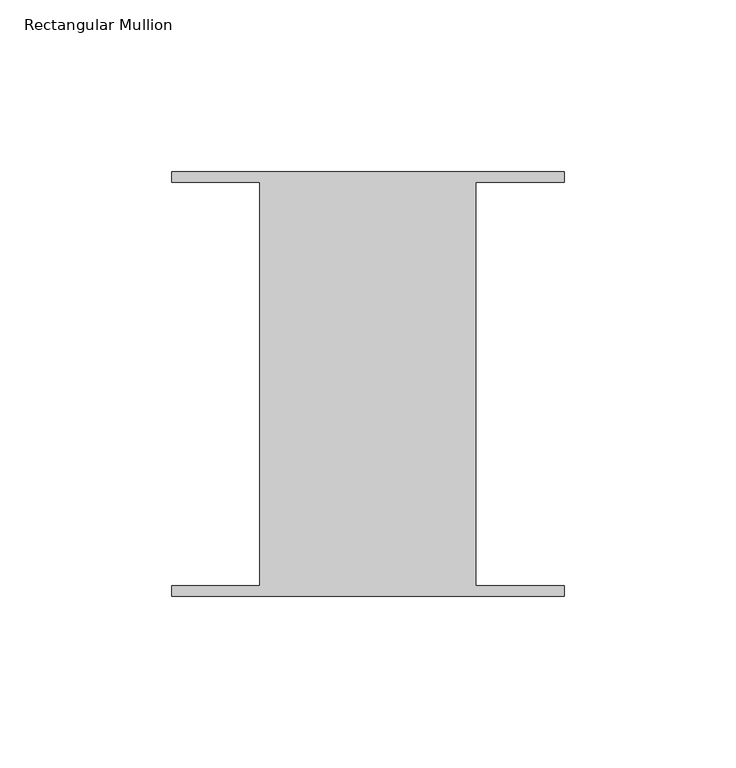
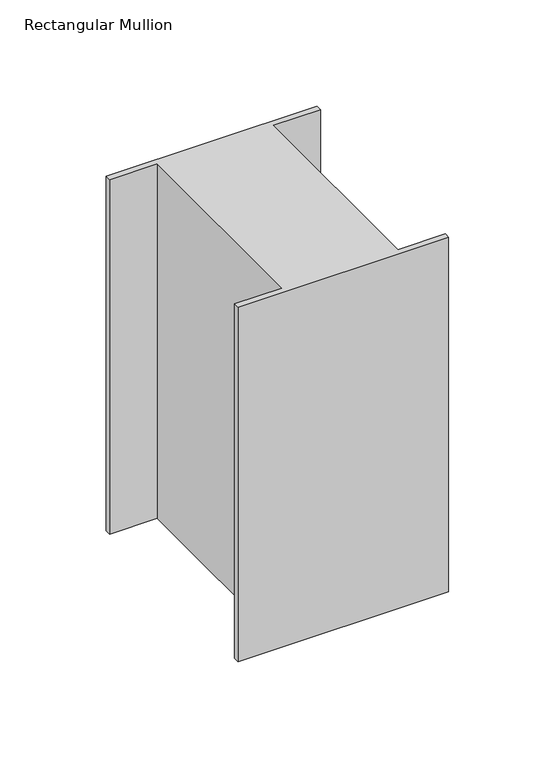
"""IFC4 building model written with IfcOpenShell, lengths in millimetres: member geometry, Rectangular Mullion."""

from ifc_helpers import new_model, si_unit, frame, origin, place, context, project, spatial, polyline, outline, extrude, source, transform, mapped, element, save


def rectangular_mullion_e33aabc5(model_context):
    return source(origin(), model_context, "Body", "SweptSolid", [
        extrude(outline(polyline([(31.4523438, 58.6995588), (31.4523437, -58.7754412), (57.15, -58.7754413), (57.15, -61.8512225), (-57.15, -61.8512225), (-57.15, -58.7754413), (-31.4523438, -58.7754412), (-31.4523437, 58.6995588), (-57.15, 58.6995587), (-57.15, 61.77534), (57.15, 61.77534), (57.15, 58.6995587), (31.4523438, 58.6995588)])), frame((0.0, 0.0, -203.2), z_axis=(0.0, 0.0, 1.0), x_axis=(1.0, 0.0, 0.0)), (0.0, 0.0, 1.0), 203.2),
    ])


if __name__ == "__main__":
    model = new_model("IFC4")
    model_context = context("Model", 3, world=origin())
    ifc_project = project(units=[si_unit("LENGTHUNIT", "METRE", prefix="MILLI")], contexts=[model_context])
    site = spatial("IfcSite", under=ifc_project)
    building = spatial("IfcBuilding", under=site)
    placement = place(None, origin())
    rectangular_mullion_shape = rectangular_mullion_e33aabc5(model_context)
    element("IfcMember", 1, ObjectType="Rectangular Mullion", at=placement, inside=building, context=model_context, shape_type="MappedRepresentation", body=[
        mapped(rectangular_mullion_shape, transform((0.0, 0.0, 0.0), x_axis=(1.0, 0.0, 0.0), y_axis=(0.0, 1.0, 0.0), z_axis=(0.0, 0.0, 1.0))),
    ])
    save(model, "model.ifc")
